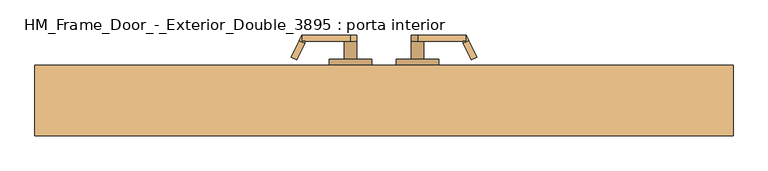
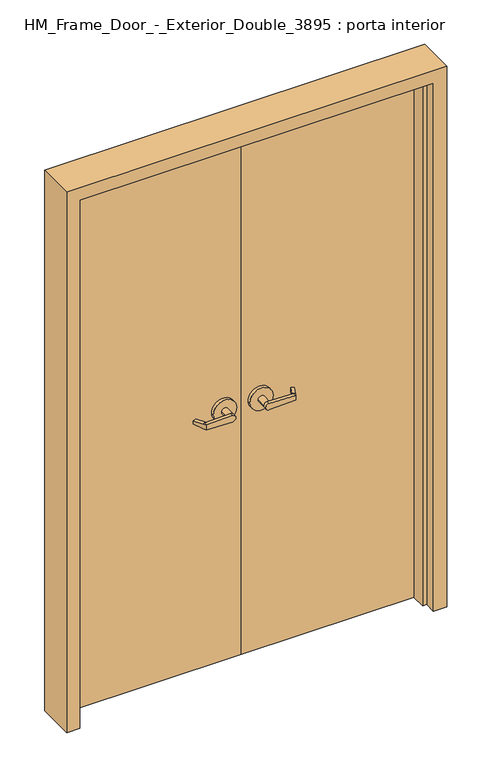
"""IFC4 building model written with IfcOpenShell, lengths in millimetres: door geometry, HM_Frame_Door_-_Exterior_Double_3895 : porta interior."""

import ifcopenshell
import ifcopenshell.guid

model = None  # the IFC model being written
_history = None  # IfcOwnerHistory: only IFC2X3 demands one
_inside = {}  # id of a spatial element -> (the spatial element, [elements in it])
_under = {}  # id of a project, library or spatial element -> (it, [spatial elements below it])
_declared = {}  # id of a project -> (the project, [libraries it declares])
_typed = {}  # id of a type object -> (the type object, [elements of that type])
_made_of = {}  # id of a material, layer set ... -> (it, [elements and type objects made of it])


def new_model(schema):
    """Start an empty IFC model of exactly this schema.

    Asked for "IFC4X3", IfcOpenShell would pick the latest addendum, in which some entities
    have other attributes; the version numbers below select the first issue.
    IFC2X3 requires an IfcOwnerHistory on every rooted entity: one is made here for all.
    """
    global model, _history
    if schema == "IFC4X3":
        model = ifcopenshell.file(schema_version=(4, 3, 0, 0))
    else:
        model = ifcopenshell.file(schema=schema)
    _inside.clear()
    _under.clear()
    _declared.clear()
    _typed.clear()
    _made_of.clear()
    _history = None
    if model.schema == "IFC2X3":
        org = make("IfcOrganization", Name="unknown")
        user = make(
            "IfcPersonAndOrganization",
            ThePerson=make("IfcPerson", FamilyName="unknown"),
            TheOrganization=org,
        )
        app = make(
            "IfcApplication",
            ApplicationDeveloper=org,
            Version="unknown",
            ApplicationFullName="unknown",
            ApplicationIdentifier="unknown",
        )
        _history = make(
            "IfcOwnerHistory",
            OwningUser=user,
            OwningApplication=app,
            ChangeAction="ADDED",
            CreationDate=0,
        )
    return model


def make(cls, **values):
    """One entity of the class cls with the attributes given. An attribute that is None is left unset."""
    return model.create_entity(
        cls, **{name: value for name, value in values.items() if value is not None}
    )


def rooted(cls, **values):
    """An entity with a GlobalId (a new one), such as an element, a storey or a relation."""
    return make(cls, GlobalId=ifcopenshell.guid.new(), OwnerHistory=_history, **values)


def si_unit(unit_type, name, prefix=None):
    """IfcSIUnit, for example si_unit("LENGTHUNIT", "METRE", prefix="MILLI")."""
    return make("IfcSIUnit", UnitType=unit_type, Prefix=prefix, Name=name)


def assignment(units):
    """IfcUnitAssignment: the units of a project."""
    return None if units is None else make("IfcUnitAssignment", Units=units)


def point(xyz):
    """IfcCartesianPoint."""
    return None if xyz is None else make("IfcCartesianPoint", Coordinates=xyz)


def direction(xyz):
    """IfcDirection."""
    return None if xyz is None else make("IfcDirection", DirectionRatios=xyz)


def frame(location, z_axis=None, x_axis=None):
    """IfcAxis2Placement3D, a coordinate frame: its origin and axes. An axis left out is left unset."""
    return make(
        "IfcAxis2Placement3D",
        Location=point(location),
        Axis=direction(z_axis),
        RefDirection=direction(x_axis),
    )


def origin():
    """The frame at (0, 0, 0) with its axes left unset."""
    return frame((0.0, 0.0, 0.0))


def origin_with_axes():
    """The frame at (0, 0, 0) with the z axis (0, 0, 1) and the x axis (1, 0, 0) written out."""
    return frame((0.0, 0.0, 0.0), z_axis=(0.0, 0.0, 1.0), x_axis=(1.0, 0.0, 0.0))


def place(relative_to, where):
    """IfcLocalPlacement: puts the frame where relative to a parent placement (None: the world)."""
    return make(
        "IfcLocalPlacement", PlacementRelTo=relative_to, RelativePlacement=where
    )


def context(
    kind, dimensions, precision=None, world=None, true_north=None, identifier=None
):
    """IfcGeometricRepresentationContext, for example the 3D "Model" context."""
    return make(
        "IfcGeometricRepresentationContext",
        ContextIdentifier=identifier,
        ContextType=kind,
        CoordinateSpaceDimension=dimensions,
        Precision=precision,
        WorldCoordinateSystem=world,
        TrueNorth=true_north,
    )


def project(units=None, contexts=None):
    """IfcProject with its units and contexts."""
    return rooted(
        "IfcProject",
        Name="project",
        RepresentationContexts=contexts,
        UnitsInContext=assignment(units),
    )


def spatial(cls, under=None, at=None, **own):
    """A site, building, storey or space (cls), placed at a placement, below another one or the project."""
    s = rooted(cls, ObjectPlacement=at, **own)
    if under is not None:
        _under.setdefault(under.id(), (under, []))[1].append(s)
    return s


def polyline(points):
    """IfcPolyline through the points."""
    return make("IfcPolyline", Points=[point(p) for p in points])


def circle_curve(where, radius):
    """IfcCircle in the frame where."""
    return make("IfcCircle", Position=where, Radius=radius)


def outline(outer, holes=None, kind="AREA"):
    """IfcArbitraryClosedProfileDef: a profile drawn as a closed curve; with holes, ...WithVoids."""
    if holes is None:
        return make("IfcArbitraryClosedProfileDef", ProfileType=kind, OuterCurve=outer)
    return make(
        "IfcArbitraryProfileDefWithVoids",
        ProfileType=kind,
        OuterCurve=outer,
        InnerCurves=holes,
    )


def extrude(swept, where, along, depth):
    """IfcExtrudedAreaSolid: the profile swept, set in the frame where, extruded along a direction by depth."""
    return make(
        "IfcExtrudedAreaSolid",
        SweptArea=swept,
        Position=where,
        ExtrudedDirection=direction(along),
        Depth=depth,
    )


def faces_of(points, faces, orient=None, outer=None):
    """IfcFace entities. A face is a list of loops; a loop is a list of indices into points, from 0.

    orient and outer hold one flag for each loop. By default every Orientation is true, the
    first loop of a face is its IfcFaceOuterBound and the others are IfcFaceBound.
    """
    made = []
    for i, loops in enumerate(faces):
        bounds = []
        for j, loop in enumerate(loops):
            is_outer = j == 0 if outer is None else outer[i][j]
            bounds.append(
                make(
                    "IfcFaceOuterBound" if is_outer else "IfcFaceBound",
                    Bound=make("IfcPolyLoop", Polygon=[points[k] for k in loop]),
                    Orientation=True if orient is None else orient[i][j],
                )
            )
        made.append(make("IfcFace", Bounds=bounds))
    return made


def faceted_brep(points, faces, orient=None, outer=None, voids=None):
    """IfcFacetedBrep: a solid bounded by flat faces; with voids (closed shells), ...WithVoids."""
    shared = [point(p) for p in points]
    hull = make("IfcClosedShell", CfsFaces=faces_of(shared, faces, orient, outer))
    if voids is None:
        return make("IfcFacetedBrep", Outer=hull)
    return make(
        "IfcFacetedBrepWithVoids",
        Outer=hull,
        Voids=[
            make(cls, CfsFaces=faces_of(shared, fs, o, b)) for cls, fs, o, b in voids
        ],
    )


def shape(context_of_items, identifier, shape_type, items):
    """IfcShapeRepresentation: the items that make up one representation, for example the "Body"."""
    return make(
        "IfcShapeRepresentation",
        ContextOfItems=context_of_items,
        RepresentationIdentifier=identifier,
        RepresentationType=shape_type,
        Items=items,
    )


def source(mapping_origin, context_of_items, identifier, shape_type, items):
    """IfcRepresentationMap: a shape defined once, which mapped items show again and again."""
    return make(
        "IfcRepresentationMap",
        MappingOrigin=mapping_origin,
        MappedRepresentation=shape(context_of_items, identifier, shape_type, items),
    )


def transform(
    local_origin,
    x_axis=None,
    y_axis=None,
    z_axis=None,
    scale=None,
    scale2=None,
    scale3=None,
    uniform=True,
):
    """IfcCartesianTransformationOperator3D, or its non-uniform kind. x_axis, y_axis, z_axis: its Axis1, 2, 3."""
    if uniform:
        return make(
            "IfcCartesianTransformationOperator3D",
            Axis1=direction(x_axis),
            Axis2=direction(y_axis),
            LocalOrigin=point(local_origin),
            Scale=scale,
            Axis3=direction(z_axis),
        )
    return make(
        "IfcCartesianTransformationOperator3DnonUniform",
        Axis1=direction(x_axis),
        Axis2=direction(y_axis),
        LocalOrigin=point(local_origin),
        Scale=scale,
        Axis3=direction(z_axis),
        Scale2=scale2,
        Scale3=scale3,
    )


def mapped(mapping_source, mapping_target):
    """IfcMappedItem: shows the shape of a source again, moved by a transform."""
    return make(
        "IfcMappedItem", MappingSource=mapping_source, MappingTarget=mapping_target
    )


def made_of(thing, what):
    """Note that an element or type object is made of a material, layer set ...; save() writes the relation."""
    if what is not None:
        _made_of.setdefault(what.id(), (what, []))[1].append(thing)
    return thing


def element(
    cls,
    number,
    at=None,
    inside=None,
    cuts=None,
    type_object=None,
    material=None,
    context=None,
    identifier="Body",
    shape_type=None,
    held_by="IfcProductDefinitionShape",
    body=None,
    shapes=None,
    **own,
):
    """One element of the class cls, such as IfcWall. Its Tag is "e" and its number.

    at: its placement. inside: the storey or other place that contains it. cuts: it is an
    opening in that element (IfcRelVoidsElement). A single representation is given by context,
    identifier, shape_type and body (its items); several are given by shapes. held_by: the class
    of the entity that holds the representations. save() writes the other relations.
    """
    e = rooted(cls, Tag="e%d" % number, ObjectPlacement=at, **own)
    if body is not None:
        shapes = [shape(context, identifier, shape_type, body)]
    if shapes is not None:
        e.Representation = make(held_by, Representations=shapes)
    if inside is not None:
        _inside.setdefault(inside.id(), (inside, []))[1].append(e)
    if cuts is not None:
        rooted(
            "IfcRelVoidsElement", RelatingBuildingElement=cuts, RelatedOpeningElement=e
        )
    if type_object is not None:
        _typed.setdefault(type_object.id(), (type_object, []))[1].append(e)
    return made_of(e, material)


def aggregate(whole, parts):
    """IfcRelAggregates: a whole, such as a stair, and the parts it consists of."""
    return rooted("IfcRelAggregates", RelatingObject=whole, RelatedObjects=parts)


def save(model, path):
    """Write the relations noted so far, then the file.

    IfcRelAggregates (storeys below a building ...), IfcRelContainedInSpatialStructure (elements
    in a storey), IfcRelDefinesByType, IfcRelAssociatesMaterial and IfcRelDeclares: one each for
    every whole, place, type object, material and project.
    """
    for whole, parts in _under.values():
        aggregate(whole, parts)
    for where, things in _inside.values():
        rooted(
            "IfcRelContainedInSpatialStructure",
            RelatedElements=things,
            RelatingStructure=where,
        )
    for kind, things in _typed.values():
        rooted("IfcRelDefinesByType", RelatedObjects=things, RelatingType=kind)
    for what, things in _made_of.values():
        rooted("IfcRelAssociatesMaterial", RelatedObjects=things, RelatingMaterial=what)
    for by, libraries in _declared.values():
        rooted("IfcRelDeclares", RelatingContext=by, RelatedDefinitions=libraries)
    model.write(path)


def plane_surface(at):
    """IfcPlane: the flat surface through the origin of the frame at, square to its z axis."""
    return make("IfcPlane", Position=at)


def cylinder_surface(at, radius):
    """IfcCylindricalSurface: all points at the distance radius from the z axis of the frame at."""
    return make("IfcCylindricalSurface", Position=at, Radius=radius)


def advanced_brep(points, edges, surfaces, faces):
    """IfcAdvancedBrep: a solid bounded by faces that lie on surfaces and meet in shared edges.

    An edge is (start, end): straight between two places in points (the first is 0);
    or (start, end, curve); or (start, end, curve, False) where it runs against its curve.
    A face is (place in surfaces, loops), or (place, loops, False) where it looks against
    its surface's normal. A loop lists edges by number (the first is 1), with a minus sign
    where the edge is run from its end to its start. The first loop is the outer one.
    """
    corners = [point(p) for p in points]
    vertices = [make("IfcVertexPoint", VertexGeometry=c) for c in corners]
    made = []
    for start, end, *more in edges:
        made.append(
            make(
                "IfcEdgeCurve",
                EdgeStart=vertices[start],
                EdgeEnd=vertices[end],
                EdgeGeometry=more[0] if more else make("IfcPolyline", Points=[corners[start], corners[end]]),
                SameSense=more[1] if len(more) > 1 else True,
            )
        )
    hull = []
    for where, loops, *sense in faces:
        bounds = []
        for j, loop in enumerate(loops):
            ring = [make("IfcOrientedEdge", EdgeElement=made[abs(k) - 1], Orientation=k > 0) for k in loop]
            bounds.append(
                make(
                    "IfcFaceOuterBound" if j == 0 else "IfcFaceBound",
                    Bound=make("IfcEdgeLoop", EdgeList=ring),
                    Orientation=True,
                )
            )
        hull.append(make("IfcAdvancedFace", Bounds=bounds, FaceSurface=surfaces[where], SameSense=sense[0] if sense else True))
    return make("IfcAdvancedBrep", Outer=make("IfcClosedShell", CfsFaces=hull))


def hm_frame_door_exterior_double_3895_porta_interior_98854443(model_context):
    return source(origin(), model_context, "Body", "SolidModel", [
        advanced_brep(
        [(-291.892857, -16.4726392, 1025.525), (-275.7911012, 18.0576875, 1022.35), (-275.7911012, 18.0576875, 1009.65), (-291.892857, -16.4726392, 1006.475), (-293.8407923, -20.65, 1006.475), (-293.8407923, -20.65, 1025.525), (-285.75, -33.35, 1006.475), (-280.3827481, -21.8398911, 1006.475), (-264.2809923, 12.6904356, 1009.65), (-264.2809923, 12.6904356, 1022.35), (-280.3827481, -21.8398911, 1025.525), (-285.75, -33.35, 1025.525), (-285.75, -20.65, 1025.525), (-285.75, -20.65, 1006.475), (-386.9525418, -33.35, 1028.6937791), (-386.9525418, -33.35, 1003.3062209), (-386.9525418, -20.65, 1003.3062209), (-374.65, -20.65, 1016.0), (-386.9525418, -20.65, 1028.6937791), (-400.05, -20.65, 1016.0), (-400.05, 17.45, 1016.0), (-374.65, 17.45, 1016.0), (-431.8, 17.45, 1016.0), (-342.9, 17.45, 1016.0), (-431.8, 30.15, 1016.0), (-342.9, 30.15, 1016.0)],
        [
            (0, 1),
            (1, 2),
            (2, 3),
            (3, 4),
            (4, 5),
            (5, 0),
            (6, 7),
            (7, 8),
            (8, 9),
            (9, 10),
            (10, 11),
            (11, 6),
            (10, 0),
            (5, 12),
            (12, 11),
            (9, 1),
            (8, 2),
            (7, 3),
            (6, 13),
            (13, 4),
            (11, 14),
            (14, 15, circle_curve(frame((-387.35, -33.35, 1016.0), z_axis=(0.0, -1.0, 0.0), x_axis=(1.0, 0.0, 0.0)), 12.7)),
            (15, 6),
            (13, 16),
            (16, 17, circle_curve(frame((-387.35, -20.65, 1016.0), z_axis=(0.0, -1.0, 0.0), x_axis=(1.0, 0.0, 0.0)), 12.7)),
            (17, 18, circle_curve(frame((-387.35, -20.65, 1016.0), z_axis=(0.0, -1.0, 0.0), x_axis=(1.0, 0.0, 0.0)), 12.7)),
            (18, 12),
            (18, 14),
            (18, 19, circle_curve(frame((-387.35, -20.65, 1016.0), z_axis=(0.0, -1.0, 0.0), x_axis=(1.0, 0.0, 0.0)), 12.7)),
            (19, 16, circle_curve(frame((-387.35, -20.65, 1016.0), z_axis=(0.0, -1.0, 0.0), x_axis=(1.0, 0.0, 0.0)), 12.7)),
            (16, 15),
            (19, 20),
            (20, 21, circle_curve(frame((-387.35, 17.45, 1016.0), z_axis=(0.0, -1.0, 0.0), x_axis=(1.0, 0.0, 0.0)), 12.7)),
            (21, 17),
            (21, 20, circle_curve(frame((-387.35, 17.45, 1016.0), z_axis=(0.0, -1.0, 0.0), x_axis=(1.0, 0.0, 0.0)), 12.7)),
            (22, 23, circle_curve(frame((-387.35, 17.45, 1016.0), z_axis=(0.0, -1.0, 0.0), x_axis=(1.0, 0.0, 0.0)), 44.45)),
            (23, 22, circle_curve(frame((-387.35, 17.45, 1016.0), z_axis=(0.0, -1.0, 0.0), x_axis=(1.0, 0.0, 0.0)), 44.45)),
            (24, 25, circle_curve(frame((-387.35, 30.15, 1016.0), z_axis=(0.0, 1.0, 0.0), x_axis=(1.0, 0.0, 0.0)), 44.45)),
            (25, 24, circle_curve(frame((-387.35, 30.15, 1016.0), z_axis=(0.0, 1.0, 0.0), x_axis=(1.0, 0.0, 0.0)), 44.45)),
            (22, 24),
            (25, 23),
        ],
        [
            plane_surface(frame((-297.2601089, -27.9827481, 1025.525), z_axis=(-0.9063077870366494, 0.4226182617407007, 0.0), x_axis=(0.0, 0.0, 1.0))),
            plane_surface(frame((-285.75, -33.35, 1025.525), z_axis=(0.9063077870366494, -0.4226182617407007, 0.0), x_axis=(0.0, 0.0, -1.0))),
            plane_surface(frame((-297.2601089, -27.9827481, 1025.525), z_axis=(0.0, 0.0, 1.0000000000000002), x_axis=(0.9063077870366494, -0.42261826174070094, 0.0))),
            plane_surface(frame((-291.892857, -16.4726392, 1025.525), z_axis=(0.035096536341203244, 0.0752647650696388, 0.9965457582448801), x_axis=(0.9063077870366494, -0.42261826174070094, 0.0))),
            plane_surface(frame((-275.7911012, 18.0576875, 1022.35), z_axis=(0.42261826174070094, 0.9063077870366494, 0.0), x_axis=(0.9063077870366494, -0.42261826174070094, 0.0))),
            plane_surface(frame((-275.7911012, 18.0576875, 1009.65), z_axis=(0.03509653634121679, 0.07526476506964087, -0.9965457582448793), x_axis=(0.9063077870366495, -0.42261826174070033, 0.0))),
            plane_surface(frame((-291.892857, -16.4726392, 1006.475), z_axis=(0.0, 0.0, -1.0000000000000002), x_axis=(0.9063077870366494, -0.42261826174070094, 0.0))),
            plane_surface(frame((-285.75, -33.35, 1025.525), z_axis=(0.0, -1.0000000000000002, 0.0), x_axis=(-0.9995101626549143, 0.0, 0.0312959222511001))),
            plane_surface(frame((-285.75, -20.65, 1025.525), z_axis=(0.0, 1.0000000000000002, 0.0), x_axis=(0.9995101626549143, 0.0, -0.0312959222511001))),
            plane_surface(frame((-285.75, -33.35, 1025.525), z_axis=(0.0312959222511001, 0.0, 0.9995101626549143), x_axis=(0.0, 1.0, 0.0))),
            cylinder_surface(frame((-387.35, -20.65, 1016.0), z_axis=(0.0, -1.0, 0.0), x_axis=(1.0, 0.0, 0.0)), 12.7),
            plane_surface(frame((-386.9525418, -33.35, 1003.3062209), z_axis=(0.03129592225110919, 0.0, -0.999510162654914), x_axis=(0.0, 1.0, 0.0))),
            cylinder_surface(frame((-387.35, 17.45, 1016.0), z_axis=(0.0, -1.0, 0.0), x_axis=(1.0, 0.0, 0.0)), 12.7),
            plane_surface(frame((-342.9, 17.45, 1016.0), z_axis=(0.0, -1.0, 0.0), x_axis=(0.0, 0.0, 1.0))),
            plane_surface(frame((-342.9, 30.15, 1016.0), z_axis=(0.0, 1.0, 0.0), x_axis=(0.0, 0.0, -1.0))),
            cylinder_surface(frame((-387.35, 30.15, 1016.0), z_axis=(0.0, -1.0, 0.0), x_axis=(1.0, 0.0, 0.0)), 44.45),
        ],
        [
            (0, [[1, 2, 3, 4, 5, 6]]),
            (1, [[7, 8, 9, 10, 11, 12]]),
            (2, [[-11, 13, -6, 14, 15]]),
            (3, [[-1, -13, -10, 16]]),
            (4, [[-2, -16, -9, 17]]),
            (5, [[-3, -17, -8, 18]]),
            (6, [[-7, 19, 20, -4, -18]]),
            (7, [[21, 22, 23, -12]]),
            (8, [[24, 25, 26, 27, -14, -5, -20]]),
            (9, [[-21, -15, -27, 28]]),
            (10, [[-22, -28, 29, 30, 31]]),
            (11, [[-23, -31, -24, -19]]),
            (12, [[32, 33, 34, -25, -30]]),
            (12, [[-32, -29, -26, -34, 35]]),
            (13, [[36, 37], [-33, -35]]),
            (14, [[38, 39]]),
            (15, [[-36, 40, -39, 41]]),
            (15, [[-37, -41, -38, -40]]),
        ],
    ),
        advanced_brep(
        [(-622.507143, -16.4726392, 1006.475), (-638.6088988, 18.0576875, 1009.65), (-638.6088988, 18.0576875, 1022.35), (-622.507143, -16.4726392, 1025.525), (-620.5592077, -20.65, 1025.525), (-620.5592077, -20.65, 1006.475), (-628.65, -33.35, 1025.525), (-634.0172519, -21.8398911, 1025.525), (-650.1190077, 12.6904356, 1022.35), (-650.1190077, 12.6904356, 1009.65), (-634.0172519, -21.8398911, 1006.475), (-628.65, -33.35, 1006.475), (-628.65, -20.65, 1006.475), (-628.65, -20.65, 1025.525), (-527.4474582, -33.35, 1003.3062209), (-527.4474582, -33.35, 1028.6937791), (-527.4474582, -20.65, 1028.6937791), (-539.75, -20.65, 1016.0), (-527.4474582, -20.65, 1003.3062209), (-514.35, -20.65, 1016.0), (-514.35, 17.45, 1016.0), (-539.75, 17.45, 1016.0), (-482.6, 17.45, 1016.0), (-571.5, 17.45, 1016.0), (-482.6, 30.15, 1016.0), (-571.5, 30.15, 1016.0)],
        [
            (0, 1),
            (1, 2),
            (2, 3),
            (3, 4),
            (4, 5),
            (5, 0),
            (6, 7),
            (7, 8),
            (8, 9),
            (9, 10),
            (10, 11),
            (11, 6),
            (10, 0),
            (5, 12),
            (12, 11),
            (9, 1),
            (8, 2),
            (7, 3),
            (6, 13),
            (13, 4),
            (11, 14),
            (14, 15, circle_curve(frame((-527.05, -33.35, 1016.0), z_axis=(0.0, -1.0, 0.0), x_axis=(-1.0, 0.0, 0.0)), 12.7)),
            (15, 6),
            (13, 16),
            (16, 17, circle_curve(frame((-527.05, -20.65, 1016.0), z_axis=(0.0, -1.0, 0.0), x_axis=(-1.0, 0.0, 0.0)), 12.7)),
            (17, 18, circle_curve(frame((-527.05, -20.65, 1016.0), z_axis=(0.0, -1.0, 0.0), x_axis=(-1.0, 0.0, 0.0)), 12.7)),
            (18, 12),
            (18, 14),
            (18, 19, circle_curve(frame((-527.05, -20.65, 1016.0), z_axis=(0.0, -1.0, 0.0), x_axis=(-1.0, 0.0, 0.0)), 12.7)),
            (19, 16, circle_curve(frame((-527.05, -20.65, 1016.0), z_axis=(0.0, -1.0, 0.0), x_axis=(-1.0, 0.0, 0.0)), 12.7)),
            (16, 15),
            (19, 20),
            (20, 21, circle_curve(frame((-527.05, 17.45, 1016.0), z_axis=(0.0, -1.0, 0.0), x_axis=(-1.0, 0.0, 0.0)), 12.7)),
            (21, 17),
            (21, 20, circle_curve(frame((-527.05, 17.45, 1016.0), z_axis=(0.0, -1.0, 0.0), x_axis=(-1.0, 0.0, 0.0)), 12.7)),
            (22, 23, circle_curve(frame((-527.05, 17.45, 1016.0), z_axis=(0.0, -1.0, 0.0), x_axis=(-1.0, 0.0, 0.0)), 44.45)),
            (23, 22, circle_curve(frame((-527.05, 17.45, 1016.0), z_axis=(0.0, -1.0, 0.0), x_axis=(-1.0, 0.0, 0.0)), 44.45)),
            (24, 25, circle_curve(frame((-527.05, 30.15, 1016.0), z_axis=(0.0, 1.0, 0.0), x_axis=(-1.0, 0.0, 0.0)), 44.45)),
            (25, 24, circle_curve(frame((-527.05, 30.15, 1016.0), z_axis=(0.0, 1.0, 0.0), x_axis=(-1.0, 0.0, 0.0)), 44.45)),
            (22, 24),
            (25, 23),
        ],
        [
            plane_surface(frame((-617.1398911, -27.9827481, 1006.475), z_axis=(0.9063077870366494, 0.4226182617407007, 0.0), x_axis=(0.0, 0.0, -1.0))),
            plane_surface(frame((-628.65, -33.35, 1006.475), z_axis=(-0.9063077870366494, -0.4226182617407007, 0.0), x_axis=(0.0, 0.0, 1.0))),
            plane_surface(frame((-617.1398911, -27.9827481, 1006.475), z_axis=(0.0, 0.0, -1.0000000000000002), x_axis=(-0.9063077870366494, -0.42261826174070094, 0.0))),
            plane_surface(frame((-622.507143, -16.4726392, 1006.475), z_axis=(-0.035096536341209544, 0.07526476506963878, -0.9965457582448799), x_axis=(-0.9063077870366494, -0.42261826174070094, 0.0))),
            plane_surface(frame((-638.6088988, 18.0576875, 1009.65), z_axis=(-0.42261826174070094, 0.9063077870366494, 0.0), x_axis=(-0.9063077870366494, -0.42261826174070094, 0.0))),
            plane_surface(frame((-638.6088988, 18.0576875, 1022.35), z_axis=(-0.03509653634121048, 0.0752647650696409, 0.9965457582448796), x_axis=(-0.9063077870366495, -0.42261826174070033, 0.0))),
            plane_surface(frame((-622.507143, -16.4726392, 1025.525), z_axis=(0.0, 0.0, 1.0000000000000002), x_axis=(-0.9063077870366494, -0.42261826174070094, 0.0))),
            plane_surface(frame((-628.65, -33.35, 1006.475), z_axis=(0.0, -1.0, 0.0), x_axis=(0.9995101626549141, 0.0, -0.03129592225110644))),
            plane_surface(frame((-628.65, -20.65, 1006.475), z_axis=(0.0, 1.0, 0.0), x_axis=(-0.9995101626549141, 0.0, 0.03129592225110644))),
            plane_surface(frame((-628.65, -33.35, 1006.475), z_axis=(-0.03129592225110644, 0.0, -0.9995101626549141), x_axis=(0.0, 1.0, 0.0))),
            cylinder_surface(frame((-527.05, -20.65, 1016.0), z_axis=(0.0, -1.0, 0.0), x_axis=(-1.0, 0.0, 0.0)), 12.7),
            plane_surface(frame((-527.4474582, -33.35, 1028.6937791), z_axis=(-0.03129592225110286, 0.0, 0.9995101626549142), x_axis=(0.0, 1.0, 0.0))),
            cylinder_surface(frame((-527.05, 17.45, 1016.0), z_axis=(0.0, -1.0, 0.0), x_axis=(-1.0, 0.0, 0.0)), 12.7),
            plane_surface(frame((-571.5, 17.45, 1016.0), z_axis=(0.0, -1.0, 0.0), x_axis=(0.0, 0.0, -1.0))),
            plane_surface(frame((-571.5, 30.15, 1016.0), z_axis=(0.0, 1.0, 0.0), x_axis=(0.0, 0.0, 1.0))),
            cylinder_surface(frame((-527.05, 30.15, 1016.0), z_axis=(0.0, -1.0, 0.0), x_axis=(-1.0, 0.0, 0.0)), 44.45),
        ],
        [
            (0, [[1, 2, 3, 4, 5, 6]]),
            (1, [[7, 8, 9, 10, 11, 12]]),
            (2, [[-11, 13, -6, 14, 15]]),
            (3, [[-1, -13, -10, 16]]),
            (4, [[-2, -16, -9, 17]]),
            (5, [[-3, -17, -8, 18]]),
            (6, [[-7, 19, 20, -4, -18]]),
            (7, [[21, 22, 23, -12]]),
            (8, [[24, 25, 26, 27, -14, -5, -20]]),
            (9, [[-21, -15, -27, 28]]),
            (10, [[-22, -28, 29, 30, 31]]),
            (11, [[-23, -31, -24, -19]]),
            (12, [[32, 33, 34, -25, -30]]),
            (12, [[-32, -29, -26, -34, 35]]),
            (13, [[36, 37], [-33, -35]]),
            (14, [[38, 39]]),
            (15, [[-36, 40, -39, 41]]),
            (15, [[-37, -41, -38, -40]]),
        ],
    ),
        advanced_brep(
        [(-291.892857, 121.2226392, 1006.475), (-275.7911012, 86.6923125, 1009.65), (-275.7911012, 86.6923125, 1022.35), (-291.892857, 121.2226392, 1025.525), (-293.8407923, 125.4, 1025.525), (-293.8407923, 125.4, 1006.475), (-285.75, 138.1, 1025.525), (-280.3827481, 126.5898911, 1025.525), (-264.2809923, 92.0595644, 1022.35), (-264.2809923, 92.0595644, 1009.65), (-280.3827481, 126.5898911, 1006.475), (-285.75, 138.1, 1006.475), (-285.75, 125.4, 1006.475), (-285.75, 125.4, 1025.525), (-386.9525418, 138.1, 1003.3062209), (-386.9525418, 138.1, 1028.6937791), (-386.9525418, 125.4, 1028.6937791), (-374.65, 125.4, 1016.0), (-386.9525418, 125.4, 1003.3062209), (-400.05, 125.4, 1016.0), (-400.05, 87.3, 1016.0), (-374.65, 87.3, 1016.0), (-431.8, 87.3, 1016.0), (-342.9, 87.3, 1016.0), (-431.8, 74.6, 1016.0), (-342.9, 74.6, 1016.0)],
        [
            (0, 1),
            (1, 2),
            (2, 3),
            (3, 4),
            (4, 5),
            (5, 0),
            (6, 7),
            (7, 8),
            (8, 9),
            (9, 10),
            (10, 11),
            (11, 6),
            (10, 0),
            (5, 12),
            (12, 11),
            (9, 1),
            (8, 2),
            (7, 3),
            (6, 13),
            (13, 4),
            (11, 14),
            (14, 15, circle_curve(frame((-387.35, 138.1, 1016.0), z_axis=(0.0, 1.0, 0.0), x_axis=(1.0, 0.0, 0.0)), 12.7)),
            (15, 6),
            (13, 16),
            (16, 17, circle_curve(frame((-387.35, 125.4, 1016.0), z_axis=(0.0, 1.0, 0.0), x_axis=(1.0, 0.0, 0.0)), 12.7)),
            (17, 18, circle_curve(frame((-387.35, 125.4, 1016.0), z_axis=(0.0, 1.0, 0.0), x_axis=(1.0, 0.0, 0.0)), 12.7)),
            (18, 12),
            (18, 14),
            (18, 19, circle_curve(frame((-387.35, 125.4, 1016.0), z_axis=(0.0, 1.0, 0.0), x_axis=(1.0, 0.0, 0.0)), 12.7)),
            (19, 16, circle_curve(frame((-387.35, 125.4, 1016.0), z_axis=(0.0, 1.0, 0.0), x_axis=(1.0, 0.0, 0.0)), 12.7)),
            (16, 15),
            (19, 20),
            (20, 21, circle_curve(frame((-387.35, 87.3, 1016.0), z_axis=(0.0, 1.0, 0.0), x_axis=(1.0, 0.0, 0.0)), 12.7)),
            (21, 17),
            (21, 20, circle_curve(frame((-387.35, 87.3, 1016.0), z_axis=(0.0, 1.0, 0.0), x_axis=(1.0, 0.0, 0.0)), 12.7)),
            (22, 23, circle_curve(frame((-387.35, 87.3, 1016.0), z_axis=(0.0, 1.0, 0.0), x_axis=(1.0, 0.0, 0.0)), 44.45)),
            (23, 22, circle_curve(frame((-387.35, 87.3, 1016.0), z_axis=(0.0, 1.0, 0.0), x_axis=(1.0, 0.0, 0.0)), 44.45)),
            (24, 25, circle_curve(frame((-387.35, 74.6, 1016.0), z_axis=(0.0, -1.0, 0.0), x_axis=(1.0, 0.0, 0.0)), 44.45)),
            (25, 24, circle_curve(frame((-387.35, 74.6, 1016.0), z_axis=(0.0, -1.0, 0.0), x_axis=(1.0, 0.0, 0.0)), 44.45)),
            (22, 24),
            (25, 23),
        ],
        [
            plane_surface(frame((-297.2601089, 132.7327481, 1006.475), z_axis=(-0.9063077870366494, -0.4226182617407007, 0.0), x_axis=(0.0, 0.0, -1.0))),
            plane_surface(frame((-285.75, 138.1, 1006.475), z_axis=(0.9063077870366494, 0.4226182617407007, 0.0), x_axis=(0.0, 0.0, 1.0))),
            plane_surface(frame((-297.2601089, 132.7327481, 1006.475), z_axis=(0.0, 0.0, -1.0000000000000002), x_axis=(0.9063077870366494, 0.42261826174070094, 0.0))),
            plane_surface(frame((-291.892857, 121.2226392, 1006.475), z_axis=(0.0350965363412159, -0.0752647650696388, -0.9965457582448797), x_axis=(0.9063077870366494, 0.42261826174070094, 0.0))),
            plane_surface(frame((-275.7911012, 86.6923125, 1009.65), z_axis=(0.42261826174070094, -0.9063077870366494, 0.0), x_axis=(0.9063077870366494, 0.42261826174070094, 0.0))),
            plane_surface(frame((-275.7911012, 86.6923125, 1022.35), z_axis=(0.035096536341204125, -0.07526476506964087, 0.9965457582448798), x_axis=(0.9063077870366495, 0.42261826174070033, 0.0))),
            plane_surface(frame((-291.892857, 121.2226392, 1025.525), z_axis=(0.0, 0.0, 1.0000000000000002), x_axis=(0.9063077870366494, 0.42261826174070094, 0.0))),
            plane_surface(frame((-285.75, 138.1, 1006.475), z_axis=(0.0, 1.0, 0.0), x_axis=(-0.9995101626549139, 0.0, -0.03129592225111281))),
            plane_surface(frame((-285.75, 125.4, 1006.475), z_axis=(0.0, -1.0, 0.0), x_axis=(0.9995101626549139, 0.0, 0.03129592225111281))),
            plane_surface(frame((-285.75, 138.1, 1006.475), z_axis=(0.03129592225111281, 0.0, -0.9995101626549139), x_axis=(0.0, -1.0, 0.0))),
            cylinder_surface(frame((-387.35, 125.4, 1016.0), z_axis=(0.0, 1.0, 0.0), x_axis=(1.0, 0.0, 0.0)), 12.7),
            plane_surface(frame((-386.9525418, 138.1, 1028.6937791), z_axis=(0.03129592225109649, 0.0, 0.9995101626549144), x_axis=(0.0, -1.0, 0.0))),
            cylinder_surface(frame((-387.35, 87.3, 1016.0), z_axis=(0.0, 1.0, 0.0), x_axis=(1.0, 0.0, 0.0)), 12.7),
            plane_surface(frame((-342.9, 87.3, 1016.0), z_axis=(0.0, 1.0, 0.0), x_axis=(0.0, 0.0, -1.0))),
            plane_surface(frame((-342.9, 74.6, 1016.0), z_axis=(0.0, -1.0, 0.0), x_axis=(0.0, 0.0, 1.0))),
            cylinder_surface(frame((-387.35, 74.6, 1016.0), z_axis=(0.0, 1.0, 0.0), x_axis=(1.0, 0.0, 0.0)), 44.45),
        ],
        [
            (0, [[1, 2, 3, 4, 5, 6]]),
            (1, [[7, 8, 9, 10, 11, 12]]),
            (2, [[-11, 13, -6, 14, 15]]),
            (3, [[-1, -13, -10, 16]]),
            (4, [[-2, -16, -9, 17]]),
            (5, [[-3, -17, -8, 18]]),
            (6, [[-7, 19, 20, -4, -18]]),
            (7, [[21, 22, 23, -12]]),
            (8, [[24, 25, 26, 27, -14, -5, -20]]),
            (9, [[-21, -15, -27, 28]]),
            (10, [[-22, -28, 29, 30, 31]]),
            (11, [[-23, -31, -24, -19]]),
            (12, [[32, 33, 34, -25, -30]]),
            (12, [[-32, -29, -26, -34, 35]]),
            (13, [[36, 37], [-33, -35]]),
            (14, [[38, 39]]),
            (15, [[-36, 40, -39, 41]]),
            (15, [[-37, -41, -38, -40]]),
        ],
    ),
        advanced_brep(
        [(-622.507143, 121.2226392, 1025.525), (-638.6088988, 86.6923125, 1022.35), (-638.6088988, 86.6923125, 1009.65), (-622.507143, 121.2226392, 1006.475), (-620.5592077, 125.4, 1006.475), (-620.5592077, 125.4, 1025.525), (-628.65, 138.1, 1006.475), (-634.0172519, 126.5898911, 1006.475), (-650.1190077, 92.0595644, 1009.65), (-650.1190077, 92.0595644, 1022.35), (-634.0172519, 126.5898911, 1025.525), (-628.65, 138.1, 1025.525), (-628.65, 125.4, 1025.525), (-628.65, 125.4, 1006.475), (-527.4474582, 138.1, 1028.6937791), (-527.4474582, 138.1, 1003.3062209), (-527.4474582, 125.4, 1003.3062209), (-539.75, 125.4, 1016.0), (-527.4474582, 125.4, 1028.6937791), (-514.35, 125.4, 1016.0), (-514.35, 87.3, 1016.0), (-539.75, 87.3, 1016.0), (-482.6, 87.3, 1016.0), (-571.5, 87.3, 1016.0), (-482.6, 74.6, 1016.0), (-571.5, 74.6, 1016.0)],
        [
            (0, 1),
            (1, 2),
            (2, 3),
            (3, 4),
            (4, 5),
            (5, 0),
            (6, 7),
            (7, 8),
            (8, 9),
            (9, 10),
            (10, 11),
            (11, 6),
            (10, 0),
            (5, 12),
            (12, 11),
            (9, 1),
            (8, 2),
            (7, 3),
            (6, 13),
            (13, 4),
            (11, 14),
            (14, 15, circle_curve(frame((-527.05, 138.1, 1016.0), z_axis=(0.0, 1.0, 0.0), x_axis=(-1.0, 0.0, 0.0)), 12.7)),
            (15, 6),
            (13, 16),
            (16, 17, circle_curve(frame((-527.05, 125.4, 1016.0), z_axis=(0.0, 1.0, 0.0), x_axis=(-1.0, 0.0, 0.0)), 12.7)),
            (17, 18, circle_curve(frame((-527.05, 125.4, 1016.0), z_axis=(0.0, 1.0, 0.0), x_axis=(-1.0, 0.0, 0.0)), 12.7)),
            (18, 12),
            (18, 14),
            (18, 19, circle_curve(frame((-527.05, 125.4, 1016.0), z_axis=(0.0, 1.0, 0.0), x_axis=(-1.0, 0.0, 0.0)), 12.7)),
            (19, 16, circle_curve(frame((-527.05, 125.4, 1016.0), z_axis=(0.0, 1.0, 0.0), x_axis=(-1.0, 0.0, 0.0)), 12.7)),
            (16, 15),
            (19, 20),
            (20, 21, circle_curve(frame((-527.05, 87.3, 1016.0), z_axis=(0.0, 1.0, 0.0), x_axis=(-1.0, 0.0, 0.0)), 12.7)),
            (21, 17),
            (21, 20, circle_curve(frame((-527.05, 87.3, 1016.0), z_axis=(0.0, 1.0, 0.0), x_axis=(-1.0, 0.0, 0.0)), 12.7)),
            (22, 23, circle_curve(frame((-527.05, 87.3, 1016.0), z_axis=(0.0, 1.0, 0.0), x_axis=(-1.0, 0.0, 0.0)), 44.45)),
            (23, 22, circle_curve(frame((-527.05, 87.3, 1016.0), z_axis=(0.0, 1.0, 0.0), x_axis=(-1.0, 0.0, 0.0)), 44.45)),
            (24, 25, circle_curve(frame((-527.05, 74.6, 1016.0), z_axis=(0.0, -1.0, 0.0), x_axis=(-1.0, 0.0, 0.0)), 44.45)),
            (25, 24, circle_curve(frame((-527.05, 74.6, 1016.0), z_axis=(0.0, -1.0, 0.0), x_axis=(-1.0, 0.0, 0.0)), 44.45)),
            (22, 24),
            (25, 23),
        ],
        [
            plane_surface(frame((-617.1398911, 132.7327481, 1025.525), z_axis=(0.9063077870366494, -0.4226182617407007, 0.0), x_axis=(0.0, 0.0, 1.0))),
            plane_surface(frame((-628.65, 138.1, 1025.525), z_axis=(-0.9063077870366494, 0.4226182617407007, 0.0), x_axis=(0.0, 0.0, -1.0))),
            plane_surface(frame((-617.1398911, 132.7327481, 1025.525), z_axis=(0.0, 0.0, 1.0000000000000002), x_axis=(-0.9063077870366494, 0.42261826174070094, 0.0))),
            plane_surface(frame((-622.507143, 121.2226392, 1025.525), z_axis=(-0.03509653634120958, -0.07526476506963878, 0.9965457582448799), x_axis=(-0.9063077870366494, 0.42261826174070094, 0.0))),
            plane_surface(frame((-638.6088988, 86.6923125, 1022.35), z_axis=(-0.42261826174070094, -0.9063077870366494, 0.0), x_axis=(-0.9063077870366494, 0.42261826174070094, 0.0))),
            plane_surface(frame((-638.6088988, 86.6923125, 1009.65), z_axis=(-0.035096536341210446, -0.0752647650696409, -0.9965457582448796), x_axis=(-0.9063077870366495, 0.42261826174070033, 0.0))),
            plane_surface(frame((-622.507143, 121.2226392, 1006.475), z_axis=(0.0, 0.0, -1.0000000000000002), x_axis=(-0.9063077870366494, 0.42261826174070094, 0.0))),
            plane_surface(frame((-628.65, 138.1, 1025.525), z_axis=(0.0, 1.0, 0.0), x_axis=(0.9995101626549141, 0.0, 0.03129592225110647))),
            plane_surface(frame((-628.65, 125.4, 1025.525), z_axis=(0.0, -1.0, 0.0), x_axis=(-0.9995101626549141, 0.0, -0.03129592225110647))),
            plane_surface(frame((-628.65, 138.1, 1025.525), z_axis=(-0.03129592225110647, 0.0, 0.9995101626549141), x_axis=(0.0, -1.0, 0.0))),
            cylinder_surface(frame((-527.05, 125.4, 1016.0), z_axis=(0.0, 1.0, 0.0), x_axis=(-1.0, 0.0, 0.0)), 12.7),
            plane_surface(frame((-527.4474582, 138.1, 1003.3062209), z_axis=(-0.03129592225110282, 0.0, -0.9995101626549142), x_axis=(0.0, -1.0, 0.0))),
            cylinder_surface(frame((-527.05, 87.3, 1016.0), z_axis=(0.0, 1.0, 0.0), x_axis=(-1.0, 0.0, 0.0)), 12.7),
            plane_surface(frame((-571.5, 87.3, 1016.0), z_axis=(0.0, 1.0, 0.0), x_axis=(0.0, 0.0, 1.0))),
            plane_surface(frame((-571.5, 74.6, 1016.0), z_axis=(0.0, -1.0, 0.0), x_axis=(0.0, 0.0, -1.0))),
            cylinder_surface(frame((-527.05, 74.6, 1016.0), z_axis=(0.0, 1.0, 0.0), x_axis=(-1.0, 0.0, 0.0)), 44.45),
        ],
        [
            (0, [[1, 2, 3, 4, 5, 6]]),
            (1, [[7, 8, 9, 10, 11, 12]]),
            (2, [[-11, 13, -6, 14, 15]]),
            (3, [[-1, -13, -10, 16]]),
            (4, [[-2, -16, -9, 17]]),
            (5, [[-3, -17, -8, 18]]),
            (6, [[-7, 19, 20, -4, -18]]),
            (7, [[21, 22, 23, -12]]),
            (8, [[24, 25, 26, 27, -14, -5, -20]]),
            (9, [[-21, -15, -27, 28]]),
            (10, [[-22, -28, 29, 30, 31]]),
            (11, [[-23, -31, -24, -19]]),
            (12, [[32, 33, 34, -25, -30]]),
            (12, [[-32, -29, -26, -34, 35]]),
            (13, [[36, 37], [-33, -35]]),
            (14, [[38, 39]]),
            (15, [[-36, 40, -39, 41]]),
            (15, [[-37, -41, -38, -40]]),
        ],
    ),
        extrude(outline(polyline([(-457.2, 74.6), (218.2, 74.6), (218.2, 30.15), (-457.2, 30.15), (-457.2, 74.6)])), origin_with_axes(), (0.0, 0.0, 1.0), 2133.6),
        extrude(outline(polyline([(-1132.6, 74.6), (-457.2, 74.6), (-457.2, 30.15), (-1132.6, 30.15), (-1132.6, 74.6)])), origin_with_axes(), (0.0, 0.0, 1.0), 2133.6),
        faceted_brep([(-1132.6, 74.6, 0.0), (-1132.6, 30.15, 0.0), (-1116.725, 30.15, 0.0), (-1116.725, -27.0, 0.0), (-1132.6, -27.0, 0.0), (-1132.6, -71.45, 0.0), (-1183.4, -71.45, 0.0), (-1183.4, 74.6, 0.0), (-1132.6, 74.6, 2133.6), (-1132.6, 30.15, 2133.6), (218.2, 30.15, 2133.6), (218.2, 30.15, 0.0), (202.325, 30.15, 0.0), (202.325, 30.15, 2117.725), (-1116.725, 30.15, 2117.725), (-1116.725, -27.0, 2117.725), (202.325, -27.0, 2117.725), (202.325, -27.0, 0.0), (218.2, -27.0, 0.0), (218.2, -27.0, 2133.6), (-1132.6, -27.0, 2133.6), (-1132.6, -71.45, 2133.6), (218.2, -71.45, 2133.6), (218.2, -71.45, 0.0), (269.0, -71.45, 0.0), (269.0, -71.45, 2184.4), (-1183.4, -71.45, 2184.4), (-1183.4, 74.6, 2184.4), (269.0, 74.6, 2184.4), (269.0, 74.6, 0.0), (218.2, 74.6, 0.0), (218.2, 74.6, 2133.6)], [[[0, 1, 2, 3, 4, 5, 6, 7]], [[1, 0, 8, 9]], [[2, 1, 9, 10, 11, 12, 13, 14]], [[3, 2, 14, 15]], [[4, 3, 15, 16, 17, 18, 19, 20]], [[5, 4, 20, 21]], [[6, 5, 21, 22, 23, 24, 25, 26]], [[7, 6, 26, 27]], [[0, 7, 27, 28, 29, 30, 31, 8]], [[30, 11, 10, 31]], [[30, 29, 24, 23, 18, 17, 12, 11]], [[12, 17, 16, 13]], [[19, 18, 23, 22]], [[29, 28, 25, 24]], [[25, 28, 27, 26]], [[21, 20, 19, 22]], [[15, 14, 13, 16]], [[10, 9, 8, 31]]]),
    ])


if __name__ == "__main__":
    model = new_model("IFC4")
    model_context = context("Model", 3, world=origin())
    ifc_project = project(units=[si_unit("LENGTHUNIT", "METRE", prefix="MILLI")], contexts=[model_context])
    site = spatial("IfcSite", under=ifc_project)
    building = spatial("IfcBuilding", under=site)
    placement = place(None, origin())
    hm_frame_door_exterior_double_3895_porta_interior_shape = hm_frame_door_exterior_double_3895_porta_interior_98854443(model_context)
    element("IfcDoor", 1, ObjectType="HM_Frame_Door_-_Exterior_Double_3895 : porta interior", at=placement, inside=building, context=model_context, shape_type="MappedRepresentation", body=[
        mapped(hm_frame_door_exterior_double_3895_porta_interior_shape, transform((0.0, 0.0, 0.0), x_axis=(1.0, 0.0, 0.0), y_axis=(0.0, 1.0, 0.0), z_axis=(0.0, 0.0, 1.0))),
    ])
    save(model, "model.ifc")
